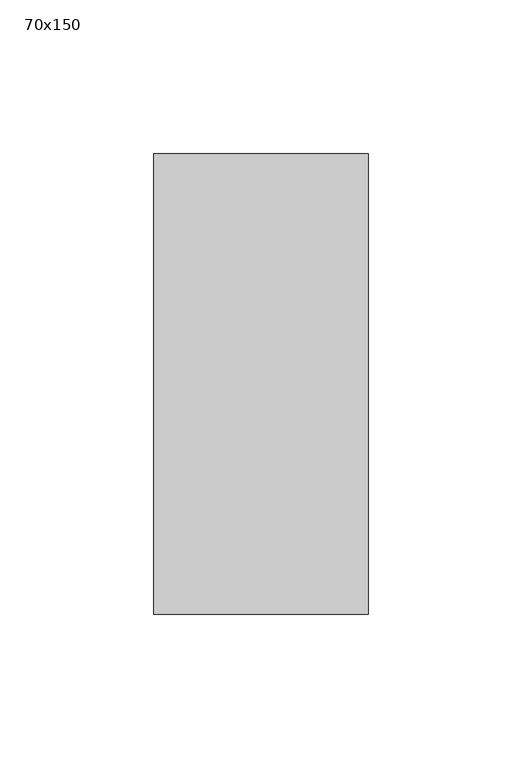
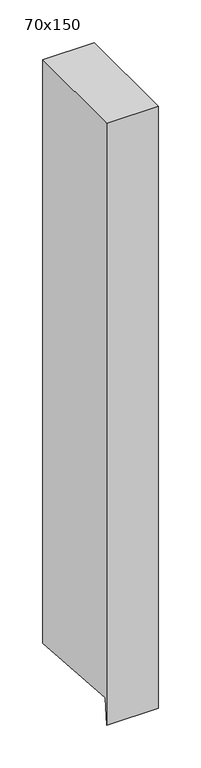
"""IFC4 building model written with IfcOpenShell, lengths in millimetres: member geometry, 70x150."""

from ifc_helpers import new_model, si_unit, frame, origin, place, context, project, spatial, polyline, outline, extrude, source, transform, mapped, element, save


def member_70x150_d69aca67(model_context):
    return source(origin(), model_context, "Body", "SweptSolid", [
        extrude(outline(polyline([(-75.0, 0.0), (75.0, 0.0), (75.0, -835.5953132), (-72.1340754, -824.4207545), (-75.0, -862.1560401), (-75.0, 0.0)])), frame((-70.0, 0.0, 0.0), z_axis=(1.0, 0.0, 0.0), x_axis=(0.0, 1.0, 0.0)), (0.0, 0.0, 1.0), 70.0),
    ])


if __name__ == "__main__":
    model = new_model("IFC4")
    model_context = context("Model", 3, world=origin())
    ifc_project = project(units=[si_unit("LENGTHUNIT", "METRE", prefix="MILLI")], contexts=[model_context])
    site = spatial("IfcSite", under=ifc_project)
    building = spatial("IfcBuilding", under=site)
    placement = place(None, origin())
    member_70x150_shape = member_70x150_d69aca67(model_context)
    element("IfcMember", 1, ObjectType="70x150", at=placement, inside=building, context=model_context, shape_type="MappedRepresentation", body=[
        mapped(member_70x150_shape, transform((0.0, 0.0, 0.0), x_axis=(1.0, 0.0, 0.0), y_axis=(0.0, 1.0, 0.0), z_axis=(0.0, 0.0, 1.0))),
    ])
    save(model, "model.ifc")
